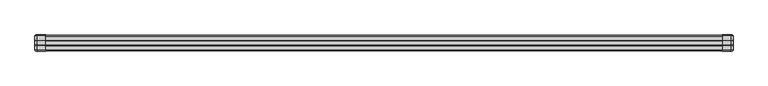
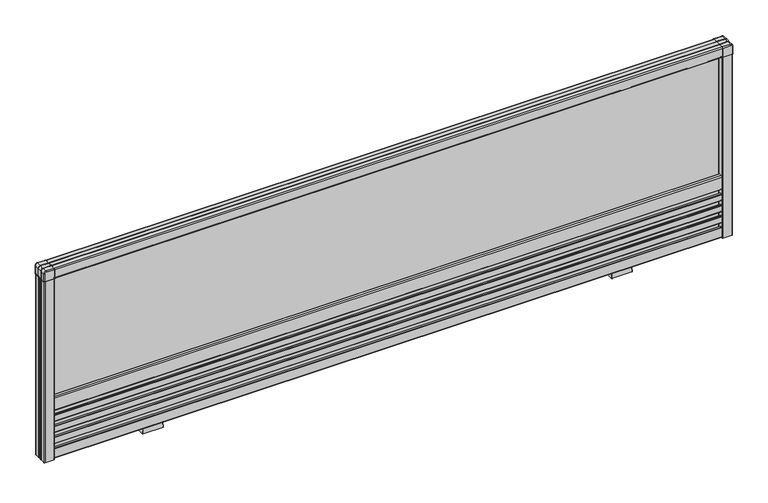
"""IFC4 building model written with IfcOpenShell, lengths in millimetres: furniture geometry."""

from ifc_helpers import new_model, si_unit, point, frame, frame_2d, origin, place, context, project, spatial, polyline, circle_curve, ellipse_curve, trimmed, segment, composite_curve, outline, extrude, source, transform, mapped, element, save
from ifc_brep_helpers import plane_surface, cylinder_surface, revolved_surface, extruded_surface, advanced_brep


def furniture_dad9432e(model_context):
    return source(origin(), model_context, "Body", "SolidModel", [
        extrude(outline(composite_curve([segment(polyline([(-3.25, 377.0), (-12.65, 377.0)]), True, "CONTINUOUS"), segment(trimmed(circle_curve(frame_2d((-12.65, 377.5)), 0.5), [point((-12.65, 377.0))], [point((-13.15, 377.5))], False, "CARTESIAN"), True, "CONTINUOUS"), segment(polyline([(-13.15, 377.5), (-13.15, 383.995804), (13.15, 383.995804), (13.15, 377.5)]), True, "CONTINUOUS"), segment(trimmed(circle_curve(frame_2d((12.65, 377.5)), 0.5), [point((13.15, 377.5))], [point((12.65, 377.0))], False, "CARTESIAN"), True, "CONTINUOUS"), segment(polyline([(12.65, 377.0), (3.25, 377.0)]), True, "CONTINUOUS"), segment(trimmed(circle_curve(frame_2d((3.25, 377.5)), 0.5), [point((3.25, 377.0))], [point((2.75, 377.5))], False, "CARTESIAN"), True, "CONTINUOUS"), segment(polyline([(2.75, 377.5), (2.75, 382.495804), (-2.75, 382.495804), (-2.75, 377.5)]), True, "CONTINUOUS"), segment(trimmed(circle_curve(frame_2d((-3.25, 377.5)), 0.5), [point((-2.75, 377.5))], [point((-3.25, 377.0))], False, "CARTESIAN"), True, "CONTINUOUS")], self_intersect=False)), frame((-641.0, 0.0, 0.0), z_axis=(1.0, 0.0, 0.0), x_axis=(0.0, 1.0, 0.0)), (0.0, 0.0, 1.0), 1282.0),
        extrude(outline(composite_curve([segment(trimmed(circle_curve(frame_2d((-13.0, 395.0)), 2.0), [point((-15.0, 395.0))], [point((-13.0, 397.0))], False, "CARTESIAN"), True, "CONTINUOUS"), segment(polyline([(-13.0, 397.0), (-5.2141428, 397.0)]), True, "CONTINUOUS"), segment(trimmed(circle_curve(frame_2d((-4.5, 397.7)), 1.0), [point((-5.2141428, 397.0))], [point((-3.7858572, 397.0))], True, "CARTESIAN"), True, "CONTINUOUS"), segment(polyline([(-3.7858572, 397.0), (3.7858572, 397.0)]), True, "CONTINUOUS"), segment(trimmed(circle_curve(frame_2d((4.5, 397.7)), 1.0), [point((3.7858572, 397.0))], [point((5.2141428, 397.0))], True, "CARTESIAN"), True, "CONTINUOUS"), segment(polyline([(5.2141428, 397.0), (13.0, 397.0)]), True, "CONTINUOUS"), segment(trimmed(circle_curve(frame_2d((13.0, 395.0)), 2.0), [point((13.0, 397.0))], [point((15.0, 395.0))], False, "CARTESIAN"), True, "CONTINUOUS"), segment(polyline([(15.0, 395.0), (15.0, 377.5)]), True, "CONTINUOUS"), segment(trimmed(circle_curve(frame_2d((14.5, 377.5)), 0.5), [point((15.0, 377.5))], [point((14.5, 377.0))], False, "CARTESIAN"), True, "CONTINUOUS"), segment(polyline([(14.5, 377.0), (13.15, 377.0), (13.15, 383.995804), (-13.15, 383.995804), (-13.15, 377.0), (-14.5, 377.0)]), True, "CONTINUOUS"), segment(trimmed(circle_curve(frame_2d((-14.5, 377.5)), 0.5), [point((-14.5, 377.0))], [point((-15.0, 377.5))], False, "CARTESIAN"), True, "CONTINUOUS"), segment(polyline([(-15.0, 377.5), (-15.0, 395.0)]), True, "CONTINUOUS")], self_intersect=False)), frame((-641.0, 0.0, 0.0), z_axis=(1.0, 0.0, 0.0), x_axis=(0.0, 1.0, 0.0)), (0.0, 0.0, 1.0), 1282.0),
        extrude(outline(composite_curve([segment(trimmed(circle_curve(frame_2d((-12.0, 30.0)), 1.0), [point((-13.0, 30.0))], [point((-12.0, 31.0))], False, "CARTESIAN"), True, "CONTINUOUS"), segment(polyline([(-12.0, 31.0), (-9.2004126, 31.0), (-9.2004126, 25.0), (-1.7500068, 25.0), (-1.7500068, 46.0), (-9.2004126, 46.0), (-9.2004126, 40.0), (-12.0, 40.0)]), True, "CONTINUOUS"), segment(trimmed(circle_curve(frame_2d((-12.0, 41.0)), 1.0), [point((-12.0, 40.0))], [point((-13.0, 41.0))], False, "CARTESIAN"), True, "CONTINUOUS"), segment(polyline([(-13.0, 41.0), (-13.0, 52.5)]), True, "CONTINUOUS"), segment(trimmed(circle_curve(frame_2d((-12.0, 52.5)), 1.0), [point((-13.0, 52.5))], [point((-12.0, 53.5))], False, "CARTESIAN"), True, "CONTINUOUS"), segment(polyline([(-12.0, 53.5), (-9.2004126, 53.5), (-9.2004126, 47.5), (-1.7500068, 47.5), (-1.7500068, 68.5), (-9.2004126, 68.5), (-9.2004126, 62.5), (-12.0, 62.5)]), True, "CONTINUOUS"), segment(trimmed(circle_curve(frame_2d((-12.0, 63.5)), 1.0), [point((-12.0, 62.5))], [point((-13.0, 63.5))], False, "CARTESIAN"), True, "CONTINUOUS"), segment(polyline([(-13.0, 63.5), (-13.0, 75.0)]), True, "CONTINUOUS"), segment(trimmed(circle_curve(frame_2d((-12.0, 75.0)), 1.0), [point((-13.0, 75.0))], [point((-12.0, 76.0))], False, "CARTESIAN"), True, "CONTINUOUS"), segment(polyline([(-12.0, 76.0), (-9.2004126, 76.0), (-9.2004126, 70.0), (-1.7500068, 70.0), (-1.7500068, 91.0), (-9.2004126, 91.0), (-9.2004126, 85.0), (-12.0, 85.0)]), True, "CONTINUOUS"), segment(trimmed(circle_curve(frame_2d((-12.0, 86.0)), 1.0), [point((-12.0, 85.0))], [point((-13.0, 86.0))], False, "CARTESIAN"), True, "CONTINUOUS"), segment(polyline([(-13.0, 86.0), (-13.0, 97.5)]), True, "CONTINUOUS"), segment(trimmed(circle_curve(frame_2d((-12.0, 97.5)), 1.0), [point((-13.0, 97.5))], [point((-12.0, 98.5))], False, "CARTESIAN"), True, "CONTINUOUS"), segment(polyline([(-12.0, 98.5), (-9.2004126, 98.5), (-9.2004126, 92.5), (-1.7500068, 92.5), (-1.7500068, 113.5), (-9.2004126, 113.5), (-9.2004126, 107.5), (-12.0, 107.5)]), True, "CONTINUOUS"), segment(trimmed(circle_curve(frame_2d((-12.0, 108.5)), 1.0), [point((-12.0, 107.5))], [point((-13.0, 108.5))], False, "CARTESIAN"), True, "CONTINUOUS"), segment(polyline([(-13.0, 108.5), (-13.0, 133.0)]), True, "CONTINUOUS"), segment(trimmed(circle_curve(frame_2d((-11.0, 133.0)), 2.0), [point((-13.0, 133.0))], [point((-11.0, 135.0))], False, "CARTESIAN"), True, "CONTINUOUS"), segment(polyline([(-11.0, 135.0), (-6.0, 135.0)]), True, "CONTINUOUS"), segment(trimmed(circle_curve(frame_2d((-6.0, 134.5)), 0.5), [point((-6.0, 135.0))], [point((-5.5, 134.5))], False, "CARTESIAN"), True, "CONTINUOUS"), segment(polyline([(-5.5, 134.5), (-5.5, 115.0), (0.0, 115.0), (5.5, 115.0), (5.5, 134.5)]), True, "CONTINUOUS"), segment(trimmed(circle_curve(frame_2d((6.0, 134.5)), 0.5), [point((5.5, 134.5))], [point((6.0, 135.0))], False, "CARTESIAN"), True, "CONTINUOUS"), segment(polyline([(6.0, 135.0), (11.0, 135.0)]), True, "CONTINUOUS"), segment(trimmed(circle_curve(frame_2d((11.0, 133.0)), 2.0), [point((11.0, 135.0))], [point((13.0, 133.0))], False, "CARTESIAN"), True, "CONTINUOUS"), segment(polyline([(13.0, 133.0), (13.0, 108.5)]), True, "CONTINUOUS"), segment(trimmed(circle_curve(frame_2d((12.0, 108.5)), 1.0), [point((13.0, 108.5))], [point((12.0, 107.5))], False, "CARTESIAN"), True, "CONTINUOUS"), segment(polyline([(12.0, 107.5), (9.2004126, 107.5), (9.2004126, 113.5), (1.7500068, 113.5), (1.7500068, 92.5), (9.2004126, 92.5), (9.2004126, 98.5), (12.0, 98.5)]), True, "CONTINUOUS"), segment(trimmed(circle_curve(frame_2d((12.0, 97.5)), 1.0), [point((12.0, 98.5))], [point((13.0, 97.5))], False, "CARTESIAN"), True, "CONTINUOUS"), segment(polyline([(13.0, 97.5), (13.0, 86.0)]), True, "CONTINUOUS"), segment(trimmed(circle_curve(frame_2d((12.0, 86.0)), 1.0), [point((13.0, 86.0))], [point((12.0, 85.0))], False, "CARTESIAN"), True, "CONTINUOUS"), segment(polyline([(12.0, 85.0), (9.2004126, 85.0), (9.2004126, 91.0), (1.7500068, 91.0), (1.7500068, 70.0), (9.2004126, 70.0), (9.2004126, 76.0), (12.0, 76.0)]), True, "CONTINUOUS"), segment(trimmed(circle_curve(frame_2d((12.0, 75.0)), 1.0), [point((12.0, 76.0))], [point((13.0, 75.0))], False, "CARTESIAN"), True, "CONTINUOUS"), segment(polyline([(13.0, 75.0), (13.0, 63.5)]), True, "CONTINUOUS"), segment(trimmed(circle_curve(frame_2d((12.0, 63.5)), 1.0), [point((13.0, 63.5))], [point((12.0, 62.5))], False, "CARTESIAN"), True, "CONTINUOUS"), segment(polyline([(12.0, 62.5), (9.2004126, 62.5), (9.2004126, 68.5), (1.7500068, 68.5), (1.7500068, 47.5), (9.2004126, 47.5), (9.2004126, 53.5), (12.0, 53.5)]), True, "CONTINUOUS"), segment(trimmed(circle_curve(frame_2d((12.0, 52.5)), 1.0), [point((12.0, 53.5))], [point((13.0, 52.5))], False, "CARTESIAN"), True, "CONTINUOUS"), segment(polyline([(13.0, 52.5), (13.0, 41.0)]), True, "CONTINUOUS"), segment(trimmed(circle_curve(frame_2d((12.0, 41.0)), 1.0), [point((13.0, 41.0))], [point((12.0, 40.0))], False, "CARTESIAN"), True, "CONTINUOUS"), segment(polyline([(12.0, 40.0), (9.2004126, 40.0), (9.2004126, 46.0), (1.7500068, 46.0), (1.7500068, 25.0), (9.2004126, 25.0), (9.2004126, 31.0), (12.0, 31.0)]), True, "CONTINUOUS"), segment(trimmed(circle_curve(frame_2d((12.0, 30.0)), 1.0), [point((12.0, 31.0))], [point((13.0, 30.0))], False, "CARTESIAN"), True, "CONTINUOUS"), segment(polyline([(13.0, 30.0), (13.0, 12.0)]), True, "CONTINUOUS"), segment(trimmed(circle_curve(frame_2d((11.0, 12.0)), 2.0), [point((13.0, 12.0))], [point((11.0, 10.0))], False, "CARTESIAN"), True, "CONTINUOUS"), segment(polyline([(11.0, 10.0), (0.0, 10.0), (-11.0, 10.0)]), True, "CONTINUOUS"), segment(trimmed(circle_curve(frame_2d((-11.0, 12.0)), 2.0), [point((-11.0, 10.0))], [point((-13.0, 12.0))], False, "CARTESIAN"), True, "CONTINUOUS"), segment(polyline([(-13.0, 12.0), (-13.0, 30.0)]), True, "CONTINUOUS")], self_intersect=False)), frame((-641.0, 0.0, 0.0), z_axis=(1.0, 0.0, 0.0), x_axis=(0.0, 1.0, 0.0)), (0.0, 0.0, 1.0), 1282.0),
        extrude(outline(composite_curve([segment(polyline([(641.5, 13.15), (648.0, 13.15), (648.0, -13.15), (641.5, -13.15)]), True, "CONTINUOUS"), segment(trimmed(circle_curve(frame_2d((641.5, -12.65)), 0.5), [point((641.5, -13.15))], [point((641.0, -12.65))], False, "CARTESIAN"), True, "CONTINUOUS"), segment(polyline([(641.0, -12.65), (641.0, -3.25)]), True, "CONTINUOUS"), segment(trimmed(circle_curve(frame_2d((641.5, -3.25)), 0.5), [point((641.0, -3.25))], [point((641.5, -2.75))], False, "CARTESIAN"), True, "CONTINUOUS"), segment(polyline([(641.5, -2.75), (646.5, -2.75), (646.5, 2.75), (641.5, 2.75)]), True, "CONTINUOUS"), segment(trimmed(circle_curve(frame_2d((641.5, 3.25)), 0.5), [point((641.5, 2.75))], [point((641.0, 3.25))], False, "CARTESIAN"), True, "CONTINUOUS"), segment(polyline([(641.0, 3.25), (641.0, 12.65)]), True, "CONTINUOUS"), segment(trimmed(circle_curve(frame_2d((641.5, 12.65)), 0.5), [point((641.0, 12.65))], [point((641.5, 13.15))], False, "CARTESIAN"), True, "CONTINUOUS")], self_intersect=False)), frame((0.0, 0.0, 10.0), z_axis=(0.0, 0.0, 1.0), x_axis=(1.0, 0.0, 0.0)), (0.0, 0.0, 1.0), 367.0),
        extrude(outline(composite_curve([segment(polyline([(661.0, 3.7858572), (661.0, 0.0), (661.0, -3.7858572)]), True, "CONTINUOUS"), segment(trimmed(circle_curve(frame_2d((661.7, -4.5)), 1.0), [point((661.0, -3.7858572))], [point((661.0, -5.2141428))], True, "CARTESIAN"), True, "CONTINUOUS"), segment(polyline([(661.0, -5.2141428), (661.0, -13.0)]), True, "CONTINUOUS"), segment(trimmed(circle_curve(frame_2d((659.0, -13.0)), 2.0), [point((661.0, -13.0))], [point((659.0, -15.0))], False, "CARTESIAN"), True, "CONTINUOUS"), segment(polyline([(659.0, -15.0), (641.5, -15.0)]), True, "CONTINUOUS"), segment(trimmed(circle_curve(frame_2d((641.5, -14.5)), 0.5), [point((641.5, -15.0))], [point((641.0, -14.5))], False, "CARTESIAN"), True, "CONTINUOUS"), segment(polyline([(641.0, -14.5), (641.0, -13.15), (648.0, -13.15), (648.0, 0.0), (648.0, 13.15), (641.0, 13.15), (641.0, 14.5)]), True, "CONTINUOUS"), segment(trimmed(circle_curve(frame_2d((641.5, 14.5)), 0.5), [point((641.0, 14.5))], [point((641.5, 15.0))], False, "CARTESIAN"), True, "CONTINUOUS"), segment(polyline([(641.5, 15.0), (659.0, 15.0)]), True, "CONTINUOUS"), segment(trimmed(circle_curve(frame_2d((659.0, 13.0)), 2.0), [point((659.0, 15.0))], [point((661.0, 13.0))], False, "CARTESIAN"), True, "CONTINUOUS"), segment(polyline([(661.0, 13.0), (661.0, 5.2141428)]), True, "CONTINUOUS"), segment(trimmed(circle_curve(frame_2d((661.7, 4.5)), 1.0), [point((661.0, 5.2141428))], [point((661.0, 3.7858572))], True, "CARTESIAN"), True, "CONTINUOUS")], self_intersect=False)), frame((0.0, 0.0, 10.0), z_axis=(0.0, 0.0, 1.0), x_axis=(1.0, 0.0, 0.0)), (0.0, 0.0, 1.0), 367.0),
        extrude(outline(composite_curve([segment(polyline([(-641.5, -13.15), (-648.0, -13.15), (-648.0, 13.15), (-641.5, 13.15)]), True, "CONTINUOUS"), segment(trimmed(circle_curve(frame_2d((-641.5, 12.65)), 0.5), [point((-641.5, 13.15))], [point((-641.0, 12.65))], False, "CARTESIAN"), True, "CONTINUOUS"), segment(polyline([(-641.0, 12.65), (-641.0, 3.25)]), True, "CONTINUOUS"), segment(trimmed(circle_curve(frame_2d((-641.5, 3.25)), 0.5), [point((-641.0, 3.25))], [point((-641.5, 2.75))], False, "CARTESIAN"), True, "CONTINUOUS"), segment(polyline([(-641.5, 2.75), (-646.5, 2.75), (-646.5, -2.75), (-641.5, -2.75)]), True, "CONTINUOUS"), segment(trimmed(circle_curve(frame_2d((-641.5, -3.25)), 0.5), [point((-641.5, -2.75))], [point((-641.0, -3.25))], False, "CARTESIAN"), True, "CONTINUOUS"), segment(polyline([(-641.0, -3.25), (-641.0, -12.65)]), True, "CONTINUOUS"), segment(trimmed(circle_curve(frame_2d((-641.5, -12.65)), 0.5), [point((-641.0, -12.65))], [point((-641.5, -13.15))], False, "CARTESIAN"), True, "CONTINUOUS")], self_intersect=False)), frame((0.0, 0.0, 10.0), z_axis=(0.0, 0.0, 1.0), x_axis=(1.0, 0.0, 0.0)), (0.0, 0.0, 1.0), 367.0),
        extrude(outline(composite_curve([segment(polyline([(-661.0, -3.7858572), (-661.0, 0.0), (-661.0, 3.7858572)]), True, "CONTINUOUS"), segment(trimmed(circle_curve(frame_2d((-661.7, 4.5)), 1.0), [point((-661.0, 3.7858572))], [point((-661.0, 5.2141428))], True, "CARTESIAN"), True, "CONTINUOUS"), segment(polyline([(-661.0, 5.2141428), (-661.0, 13.0)]), True, "CONTINUOUS"), segment(trimmed(circle_curve(frame_2d((-659.0, 13.0)), 2.0), [point((-661.0, 13.0))], [point((-659.0, 15.0))], False, "CARTESIAN"), True, "CONTINUOUS"), segment(polyline([(-659.0, 15.0), (-641.5, 15.0)]), True, "CONTINUOUS"), segment(trimmed(circle_curve(frame_2d((-641.5, 14.5)), 0.5), [point((-641.5, 15.0))], [point((-641.0, 14.5))], False, "CARTESIAN"), True, "CONTINUOUS"), segment(polyline([(-641.0, 14.5), (-641.0, 13.15), (-648.0, 13.15), (-648.0, 0.0), (-648.0, -13.15), (-641.0, -13.15), (-641.0, -14.5)]), True, "CONTINUOUS"), segment(trimmed(circle_curve(frame_2d((-641.5, -14.5)), 0.5), [point((-641.0, -14.5))], [point((-641.5, -15.0))], False, "CARTESIAN"), True, "CONTINUOUS"), segment(polyline([(-641.5, -15.0), (-659.0, -15.0)]), True, "CONTINUOUS"), segment(trimmed(circle_curve(frame_2d((-659.0, -13.0)), 2.0), [point((-659.0, -15.0))], [point((-661.0, -13.0))], False, "CARTESIAN"), True, "CONTINUOUS"), segment(polyline([(-661.0, -13.0), (-661.0, -5.2141428)]), True, "CONTINUOUS"), segment(trimmed(circle_curve(frame_2d((-661.7, -4.5)), 1.0), [point((-661.0, -5.2141428))], [point((-661.0, -3.7858572))], True, "CARTESIAN"), True, "CONTINUOUS")], self_intersect=False)), frame((0.0, 0.0, 10.0), z_axis=(0.0, 0.0, 1.0), x_axis=(1.0, 0.0, 0.0)), (0.0, 0.0, 1.0), 367.0),
        advanced_brep(
        [(659.25, -15.25, 377.0), (659.25, -15.25, 393.0), (657.0, -15.25, 395.25), (641.0, -15.25, 395.25), (641.0, -15.25, 377.0), (641.0, 15.25, 395.25), (657.0, 15.25, 395.25), (659.25, 15.25, 393.0), (659.25, 15.25, 377.0), (641.0, 15.25, 377.0), (641.0, 3.75, 397.25), (641.0, -3.75, 397.25), (657.0, -3.75, 397.25), (657.0, 3.75, 397.25), (641.0, -5.25, 397.25), (641.0, -13.25, 397.25), (657.0, -13.25, 397.25), (657.0, -5.25, 397.25), (657.0, 5.25, 397.25), (657.0, 13.25, 397.25), (641.0, 13.25, 397.25), (641.0, 5.25, 397.25), (661.25, -3.75, 393.0), (661.25, 3.75, 393.0), (661.25, -13.25, 393.0), (661.25, -5.25, 393.0), (661.25, 5.25, 393.0), (661.25, 13.25, 393.0), (661.25, -3.75, 377.0), (661.25, 3.75, 377.0), (661.25, -13.25, 377.0), (661.25, -5.25, 377.0), (661.25, 5.25, 377.0), (661.25, 13.25, 377.0)],
        [
            (0, 1),
            (1, 2, circle_curve(frame((657.0, -15.25, 393.0), z_axis=(0.0, -1.0, 0.0), x_axis=(1.0, 0.0, 0.0)), 2.25)),
            (2, 3),
            (3, 4),
            (4, 0),
            (5, 6),
            (6, 7, circle_curve(frame((657.0, 15.25, 393.0), z_axis=(0.0, 1.0, 0.0), x_axis=(1.0, 0.0, 0.0)), 2.25)),
            (7, 8),
            (8, 9),
            (9, 5),
            (10, 11),
            (11, 12),
            (12, 13),
            (13, 10),
            (14, 15),
            (15, 16),
            (16, 17),
            (17, 14),
            (18, 19),
            (19, 20),
            (20, 21),
            (21, 18),
            (12, 22, circle_curve(frame((657.0, -3.75, 393.0), z_axis=(0.0, 1.0, 0.0), x_axis=(-1.0, 0.0, 0.0)), 4.25)),
            (22, 23),
            (23, 13, circle_curve(frame((657.0, 3.75, 393.0), z_axis=(0.0, -1.0, 0.0), x_axis=(-1.0, 0.0, 0.0)), 4.25)),
            (16, 24, circle_curve(frame((657.0, -13.25, 393.0), z_axis=(0.0, 1.0, 0.0), x_axis=(-1.0, 0.0, 0.0)), 4.25)),
            (24, 25),
            (25, 17, circle_curve(frame((657.0, -5.25, 393.0), z_axis=(0.0, -1.0, 0.0), x_axis=(-1.0, 0.0, 0.0)), 4.25)),
            (26, 27),
            (27, 19, circle_curve(frame((657.0, 13.25, 393.0), z_axis=(0.0, -1.0, 0.0), x_axis=(-1.0, 0.0, 0.0)), 4.25)),
            (18, 26, circle_curve(frame((657.0, 5.25, 393.0), z_axis=(0.0, 1.0, 0.0), x_axis=(-1.0, 0.0, 0.0)), 4.25)),
            (22, 28),
            (28, 29),
            (29, 23),
            (24, 30),
            (30, 31),
            (31, 25),
            (32, 33),
            (33, 27),
            (26, 32),
            (8, 33, circle_curve(frame((659.25, 13.25, 377.0), z_axis=(0.0, 0.0, -1.0), x_axis=(0.0, -1.0, 0.0)), 2.0)),
            (32, 29, circle_curve(frame((661.9114378, 4.5, 377.0), z_axis=(0.0, 0.0, 1.0), x_axis=(0.0, 1.0, 0.0)), 1.0)),
            (28, 31, circle_curve(frame((661.9114378, -4.5, 377.0), z_axis=(0.0, 0.0, 1.0), x_axis=(0.0, 1.0, 0.0)), 1.0)),
            (30, 0, circle_curve(frame((659.25, -13.25, 377.0), z_axis=(0.0, 0.0, -1.0), x_axis=(0.0, 1.0, 0.0)), 2.0)),
            (4, 9),
            (3, 15, circle_curve(frame((641.0, -13.25, 395.25), z_axis=(-1.0, 0.0, 0.0), x_axis=(0.0, 1.0, 0.0)), 2.0)),
            (14, 11, circle_curve(frame((641.0, -4.5, 397.9114378), z_axis=(1.0, 0.0, 0.0), x_axis=(0.0, 1.0, 0.0)), 1.0)),
            (10, 21, circle_curve(frame((641.0, 4.5, 397.9114378), z_axis=(1.0, 0.0, 0.0), x_axis=(0.0, 1.0, 0.0)), 1.0)),
            (20, 5, circle_curve(frame((641.0, 13.25, 395.25), z_axis=(-1.0, 0.0, 0.0), x_axis=(0.0, -1.0, 0.0)), 2.0)),
            (26, 23, circle_curve(frame((661.9114378, 4.5, 393.0), z_axis=(0.0, 0.0, 1.0), x_axis=(0.0, 1.0, 0.0)), 1.0)),
            (18, 13, circle_curve(frame((657.0, 4.5, 397.9114378), z_axis=(-1.0, 0.0, 0.0), x_axis=(0.0, 1.0, 0.0)), 1.0)),
            (22, 25, circle_curve(frame((661.9114378, -4.5, 393.0), z_axis=(0.0, 0.0, 1.0), x_axis=(0.0, 1.0, 0.0)), 1.0)),
            (12, 17, circle_curve(frame((657.0, -4.5, 397.9114378), z_axis=(-1.0, 0.0, 0.0), x_axis=(0.0, 1.0, 0.0)), 1.0)),
            (24, 1, circle_curve(frame((659.25, -13.25, 393.0), z_axis=(0.0, 0.0, -1.0), x_axis=(0.0, 1.0, 0.0)), 2.0)),
            (16, 2, circle_curve(frame((657.0, -13.25, 395.25), z_axis=(1.0, 0.0, 0.0), x_axis=(0.0, 1.0, 0.0)), 2.0)),
            (7, 27, circle_curve(frame((659.25, 13.25, 393.0), z_axis=(0.0, 0.0, -1.0), x_axis=(0.0, -1.0, 0.0)), 2.0)),
            (6, 19, circle_curve(frame((657.0, 13.25, 395.25), z_axis=(1.0, 0.0, 0.0), x_axis=(0.0, -1.0, 0.0)), 2.0)),
        ],
        [
            plane_surface(frame((661.25, -15.25, 397.25), z_axis=(0.0, -1.0, 0.0), x_axis=(1.0, 0.0, 0.0))),
            plane_surface(frame((661.25, 15.25, 397.25), z_axis=(0.0, 1.0, 0.0), x_axis=(-1.0, 0.0, 0.0))),
            plane_surface(frame((641.0, -15.25, 397.25), z_axis=(0.0, 0.0, 1.0), x_axis=(0.0, 1.0, 0.0))),
            cylinder_surface(frame((657.0, 15.25, 393.0), z_axis=(0.0, -1.0, 0.0), x_axis=(-1.0, 0.0, 0.0)), 4.25),
            plane_surface(frame((661.25, -15.25, 393.0), z_axis=(1.0, 0.0, 0.0), x_axis=(0.0, 1.0, 0.0))),
            plane_surface(frame((661.25, -15.25, 377.0), z_axis=(0.0, 0.0, -1.0), x_axis=(0.0, 1.0, 0.0))),
            plane_surface(frame((641.0, -15.25, 377.0), z_axis=(-1.0, 0.0, 0.0), x_axis=(0.0, 1.0, 0.0))),
            revolved_surface(polyline([(661.9114378, 5.5, 377.0), (661.9114378, 5.5, 393.0)]), (661.9114378, 4.5, 377.0), (0.0, 0.0, -1.0)),
            revolved_surface(trimmed(ellipse_curve(frame((661.9114378, 4.5, 393.0), z_axis=(0.0, 0.0, -1.0), x_axis=(0.0, 1.0, 0.0)), 1.0, 1.0), [point((661.9505813, 3.5007664, 393.0))], [point((661.9505813, 5.4992336, 393.0))], True, "CARTESIAN"), (657.0, 4.5, 393.0), (0.0, 1.0, 0.0)),
            revolved_surface(polyline([(657.0, 5.5, 397.9114378), (641.0, 5.5, 397.9114378)]), (657.0, 4.5, 397.9114378), (1.0, 0.0, 0.0)),
            revolved_surface(polyline([(661.9114378, -3.5, 377.0), (661.9114378, -3.5, 393.0)]), (661.9114378, -4.5, 377.0), (0.0, 0.0, -1.0)),
            revolved_surface(trimmed(ellipse_curve(frame((661.9114378, -4.5, 393.0), z_axis=(0.0, 0.0, -1.0), x_axis=(0.0, 1.0, 0.0)), 1.0, 1.0), [point((661.9251148, -5.4999065, 393.0))], [point((661.9251148, -3.5000935, 393.0))], True, "CARTESIAN"), (657.0, -4.5, 393.0), (0.0, 1.0, 0.0)),
            revolved_surface(polyline([(657.0, -3.5, 397.9114378), (641.0, -3.5, 397.9114378)]), (657.0, -4.5, 397.9114378), (1.0, 0.0, 0.0)),
            cylinder_surface(frame((659.25, -13.25, 377.0), z_axis=(0.0, 0.0, 1.0), x_axis=(0.0, 1.0, 0.0)), 2.0),
            revolved_surface(trimmed(ellipse_curve(frame((659.25, -13.25, 393.0), z_axis=(0.0, 0.0, 1.0), x_axis=(0.0, 1.0, 0.0)), 2.0, 2.0), [point((659.25, -15.25, 393.0))], [point((661.25, -13.25, 393.0))], True, "CARTESIAN"), (657.0, -15.25, 393.0), (0.0, 1.0, 0.0)),
            cylinder_surface(frame((657.0, -13.25, 395.25), z_axis=(-1.0, 0.0, 0.0), x_axis=(0.0, 1.0, 0.0)), 2.0),
            cylinder_surface(frame((659.25, 13.25, 377.0), z_axis=(0.0, 0.0, 1.0), x_axis=(0.0, -1.0, 0.0)), 2.0),
            revolved_surface(trimmed(ellipse_curve(frame((659.25, 13.25, 393.0), z_axis=(0.0, 0.0, 1.0), x_axis=(0.0, -1.0, 0.0)), 2.0, 2.0), [point((661.25, 13.25, 393.0))], [point((659.25, 15.25, 393.0))], True, "CARTESIAN"), (657.0, 15.25, 393.0), (0.0, 1.0, 0.0)),
            cylinder_surface(frame((657.0, 13.25, 395.25), z_axis=(-1.0, 0.0, 0.0), x_axis=(0.0, -1.0, 0.0)), 2.0),
        ],
        [
            (0, [[1, 2, 3, 4, 5]]),
            (1, [[6, 7, 8, 9, 10]]),
            (2, [[11, 12, 13, 14]]),
            (2, [[15, 16, 17, 18]]),
            (2, [[19, 20, 21, 22]]),
            (3, [[-13, 23, 24, 25]]),
            (3, [[-17, 26, 27, 28]]),
            (3, [[29, 30, -19, 31]]),
            (4, [[-24, 32, 33, 34]]),
            (4, [[-27, 35, 36, 37]]),
            (4, [[38, 39, -29, 40]]),
            (5, [[-9, 41, -38, 42, -33, 43, -36, 44, -5, 45]]),
            (6, [[-4, 46, -15, 47, -11, 48, -21, 49, -10, -45]]),
            (7, [[-34, -42, -40, 50]]),
            (8, [[-25, -50, -31, 51]]),
            (9, [[-22, -48, -14, -51]]),
            (10, [[-37, -43, -32, 52]]),
            (11, [[-28, -52, -23, 53]]),
            (12, [[-12, -47, -18, -53]]),
            (13, [[-1, -44, -35, 54]]),
            (14, [[-26, 55, -2, -54]]),
            (15, [[-16, -46, -3, -55]]),
            (16, [[-39, -41, -8, 56]]),
            (17, [[-7, 57, -30, -56]]),
            (18, [[-6, -49, -20, -57]]),
        ],
    ),
        advanced_brep(
        [(-659.25, -15.25, 377.0), (-641.0, -15.25, 377.0), (-641.0, -15.25, 395.25), (-657.0, -15.25, 395.25), (-659.25, -15.25, 393.0), (-641.0, 15.25, 395.25), (-641.0, 15.25, 377.0), (-659.25, 15.25, 377.0), (-659.25, 15.25, 393.0), (-657.0, 15.25, 395.25), (-657.0, 5.25, 397.25), (-641.0, 5.25, 397.25), (-641.0, 13.25, 397.25), (-657.0, 13.25, 397.25), (-641.0, 3.75, 397.25), (-657.0, 3.75, 397.25), (-657.0, -3.75, 397.25), (-641.0, -3.75, 397.25), (-641.0, -5.25, 397.25), (-657.0, -5.25, 397.25), (-657.0, -13.25, 397.25), (-641.0, -13.25, 397.25), (-661.25, 3.75, 393.0), (-661.25, -3.75, 393.0), (-661.25, 5.25, 393.0), (-661.25, 13.25, 393.0), (-661.25, -5.25, 393.0), (-661.25, -13.25, 393.0), (-661.25, 3.75, 377.0), (-661.25, -3.75, 377.0), (-661.25, 5.25, 377.0), (-661.25, 13.25, 377.0), (-661.25, -5.25, 377.0), (-661.25, -13.25, 377.0)],
        [
            (0, 1),
            (1, 2),
            (2, 3),
            (3, 4, circle_curve(frame((-657.0, -15.25, 393.0), z_axis=(0.0, -1.0, 0.0), x_axis=(-1.0, 0.0, 0.0)), 2.25)),
            (4, 0),
            (5, 6),
            (6, 7),
            (7, 8),
            (8, 9, circle_curve(frame((-657.0, 15.25, 393.0), z_axis=(0.0, 1.0, 0.0), x_axis=(-1.0, 0.0, 0.0)), 2.25)),
            (9, 5),
            (10, 11),
            (11, 12),
            (12, 13),
            (13, 10),
            (14, 15),
            (15, 16),
            (16, 17),
            (17, 14),
            (18, 19),
            (19, 20),
            (20, 21),
            (21, 18),
            (15, 22, circle_curve(frame((-657.0, 3.75, 393.0), z_axis=(0.0, -1.0, 0.0), x_axis=(1.0, 0.0, 0.0)), 4.25)),
            (22, 23),
            (23, 16, circle_curve(frame((-657.0, -3.75, 393.0), z_axis=(0.0, 1.0, 0.0), x_axis=(1.0, 0.0, 0.0)), 4.25)),
            (24, 10, circle_curve(frame((-657.0, 5.25, 393.0), z_axis=(0.0, 1.0, 0.0), x_axis=(1.0, 0.0, 0.0)), 4.25)),
            (13, 25, circle_curve(frame((-657.0, 13.25, 393.0), z_axis=(0.0, -1.0, 0.0), x_axis=(1.0, 0.0, 0.0)), 4.25)),
            (25, 24),
            (19, 26, circle_curve(frame((-657.0, -5.25, 393.0), z_axis=(0.0, -1.0, 0.0), x_axis=(1.0, 0.0, 0.0)), 4.25)),
            (26, 27),
            (27, 20, circle_curve(frame((-657.0, -13.25, 393.0), z_axis=(0.0, 1.0, 0.0), x_axis=(1.0, 0.0, 0.0)), 4.25)),
            (22, 28),
            (28, 29),
            (29, 23),
            (30, 24),
            (25, 31),
            (31, 30),
            (26, 32),
            (32, 33),
            (33, 27),
            (6, 1),
            (0, 33, circle_curve(frame((-659.25, -13.25, 377.0), z_axis=(0.0, 0.0, -1.0), x_axis=(0.0, 1.0, 0.0)), 2.0)),
            (32, 29, circle_curve(frame((-661.9114378, -4.5, 377.0), z_axis=(0.0, 0.0, 1.0), x_axis=(0.0, 1.0, 0.0)), 1.0)),
            (28, 30, circle_curve(frame((-661.9114378, 4.5, 377.0), z_axis=(0.0, 0.0, 1.0), x_axis=(0.0, 1.0, 0.0)), 1.0)),
            (31, 7, circle_curve(frame((-659.25, 13.25, 377.0), z_axis=(0.0, 0.0, -1.0), x_axis=(0.0, -1.0, 0.0)), 2.0)),
            (5, 12, circle_curve(frame((-641.0, 13.25, 395.25), z_axis=(1.0, 0.0, 0.0), x_axis=(0.0, -1.0, 0.0)), 2.0)),
            (11, 14, circle_curve(frame((-641.0, 4.5, 397.9114378), z_axis=(-1.0, 0.0, 0.0), x_axis=(0.0, 1.0, 0.0)), 1.0)),
            (17, 18, circle_curve(frame((-641.0, -4.5, 397.9114378), z_axis=(-1.0, 0.0, 0.0), x_axis=(0.0, 1.0, 0.0)), 1.0)),
            (21, 2, circle_curve(frame((-641.0, -13.25, 395.25), z_axis=(1.0, 0.0, 0.0), x_axis=(0.0, 1.0, 0.0)), 2.0)),
            (22, 24, circle_curve(frame((-661.9114378, 4.5, 393.0), z_axis=(0.0, 0.0, 1.0), x_axis=(0.0, 1.0, 0.0)), 1.0)),
            (15, 10, circle_curve(frame((-657.0, 4.5, 397.9114378), z_axis=(1.0, 0.0, 0.0), x_axis=(0.0, 1.0, 0.0)), 1.0)),
            (26, 23, circle_curve(frame((-661.9114378, -4.5, 393.0), z_axis=(0.0, 0.0, 1.0), x_axis=(0.0, 1.0, 0.0)), 1.0)),
            (19, 16, circle_curve(frame((-657.0, -4.5, 397.9114378), z_axis=(1.0, 0.0, 0.0), x_axis=(0.0, 1.0, 0.0)), 1.0)),
            (4, 27, circle_curve(frame((-659.25, -13.25, 393.0), z_axis=(0.0, 0.0, -1.0), x_axis=(0.0, 1.0, 0.0)), 2.0)),
            (3, 20, circle_curve(frame((-657.0, -13.25, 395.25), z_axis=(-1.0, 0.0, 0.0), x_axis=(0.0, 1.0, 0.0)), 2.0)),
            (25, 8, circle_curve(frame((-659.25, 13.25, 393.0), z_axis=(0.0, 0.0, -1.0), x_axis=(0.0, -1.0, 0.0)), 2.0)),
            (13, 9, circle_curve(frame((-657.0, 13.25, 395.25), z_axis=(-1.0, 0.0, 0.0), x_axis=(0.0, -1.0, 0.0)), 2.0)),
        ],
        [
            plane_surface(frame((-661.25, -15.25, 397.25), z_axis=(0.0, -1.0, 0.0), x_axis=(-1.0, 0.0, 0.0))),
            plane_surface(frame((-661.25, 15.25, 397.25), z_axis=(0.0, 1.0, 0.0), x_axis=(1.0, 0.0, 0.0))),
            plane_surface(frame((-641.0, -15.25, 397.25), z_axis=(0.0, 0.0, 1.0), x_axis=(0.0, 1.0, 0.0))),
            cylinder_surface(frame((-657.0, 15.25, 393.0), z_axis=(0.0, -1.0, 0.0), x_axis=(1.0, 0.0, 0.0)), 4.25),
            plane_surface(frame((-661.25, -15.25, 393.0), z_axis=(-1.0, 0.0, 0.0), x_axis=(0.0, 1.0, 0.0))),
            plane_surface(frame((-661.25, -15.25, 377.0), z_axis=(0.0, 0.0, -1.0), x_axis=(0.0, 1.0, 0.0))),
            plane_surface(frame((-641.0, -15.25, 377.0), z_axis=(1.0, 0.0, 0.0), x_axis=(0.0, 1.0, 0.0))),
            revolved_surface(polyline([(-661.9114378, 5.5, 377.0), (-661.9114378, 5.5, 393.0)]), (-661.9114378, 4.5, 377.0), (0.0, 0.0, -1.0)),
            revolved_surface(trimmed(ellipse_curve(frame((-661.9114378, 4.5, 393.0), z_axis=(0.0, 0.0, 1.0), x_axis=(0.0, 1.0, 0.0)), 1.0, 1.0), [point((-661.9505813, 3.5007664, 393.0))], [point((-661.9505813, 5.4992336, 393.0))], True, "CARTESIAN"), (-657.0, 4.5, 393.0), (0.0, 1.0, 0.0)),
            revolved_surface(polyline([(-657.0, 5.5, 397.9114378), (-641.0, 5.5, 397.9114378)]), (-657.0, 4.5, 397.9114378), (-1.0, 0.0, 0.0)),
            revolved_surface(polyline([(-661.9114378, -3.5, 377.0), (-661.9114378, -3.5, 393.0)]), (-661.9114378, -4.5, 377.0), (0.0, 0.0, -1.0)),
            revolved_surface(trimmed(ellipse_curve(frame((-661.9114378, -4.5, 393.0), z_axis=(0.0, 0.0, 1.0), x_axis=(0.0, 1.0, 0.0)), 1.0, 1.0), [point((-661.9251148, -5.4999065, 393.0))], [point((-661.9251148, -3.5000935, 393.0))], True, "CARTESIAN"), (-657.0, -4.5, 393.0), (0.0, 1.0, 0.0)),
            revolved_surface(polyline([(-657.0, -3.5, 397.9114378), (-641.0, -3.5, 397.9114378)]), (-657.0, -4.5, 397.9114378), (-1.0, 0.0, 0.0)),
            cylinder_surface(frame((-659.25, -13.25, 377.0), z_axis=(0.0, 0.0, 1.0), x_axis=(0.0, 1.0, 0.0)), 2.0),
            revolved_surface(trimmed(ellipse_curve(frame((-659.25, -13.25, 393.0), z_axis=(0.0, 0.0, -1.0), x_axis=(0.0, 1.0, 0.0)), 2.0, 2.0), [point((-659.25, -15.25, 393.0))], [point((-661.25, -13.25, 393.0))], True, "CARTESIAN"), (-657.0, -15.25, 393.0), (0.0, 1.0, 0.0)),
            cylinder_surface(frame((-657.0, -13.25, 395.25), z_axis=(1.0, 0.0, 0.0), x_axis=(0.0, 1.0, 0.0)), 2.0),
            cylinder_surface(frame((-659.25, 13.25, 377.0), z_axis=(0.0, 0.0, 1.0), x_axis=(0.0, -1.0, 0.0)), 2.0),
            revolved_surface(trimmed(ellipse_curve(frame((-659.25, 13.25, 393.0), z_axis=(0.0, 0.0, -1.0), x_axis=(0.0, -1.0, 0.0)), 2.0, 2.0), [point((-661.25, 13.25, 393.0))], [point((-659.25, 15.25, 393.0))], True, "CARTESIAN"), (-657.0, 15.25, 393.0), (0.0, 1.0, 0.0)),
            cylinder_surface(frame((-657.0, 13.25, 395.25), z_axis=(1.0, 0.0, 0.0), x_axis=(0.0, -1.0, 0.0)), 2.0),
        ],
        [
            (0, [[1, 2, 3, 4, 5]]),
            (1, [[6, 7, 8, 9, 10]]),
            (2, [[11, 12, 13, 14]]),
            (2, [[15, 16, 17, 18]]),
            (2, [[19, 20, 21, 22]]),
            (3, [[23, 24, 25, -16]]),
            (3, [[26, -14, 27, 28]]),
            (3, [[29, 30, 31, -20]]),
            (4, [[32, 33, 34, -24]]),
            (4, [[35, -28, 36, 37]]),
            (4, [[38, 39, 40, -30]]),
            (5, [[41, -1, 42, -39, 43, -33, 44, -37, 45, -7]]),
            (6, [[-41, -6, 46, -12, 47, -18, 48, -22, 49, -2]]),
            (7, [[50, -35, -44, -32]]),
            (8, [[51, -26, -50, -23]]),
            (9, [[-51, -15, -47, -11]]),
            (10, [[52, -34, -43, -38]]),
            (11, [[53, -25, -52, -29]]),
            (12, [[-53, -19, -48, -17]]),
            (13, [[54, -40, -42, -5]]),
            (14, [[-54, -4, 55, -31]]),
            (15, [[-55, -3, -49, -21]]),
            (16, [[56, -8, -45, -36]]),
            (17, [[-56, -27, 57, -9]]),
            (18, [[-57, -13, -46, -10]]),
        ],
    ),
        advanced_brep(
        [(430.0, 10.849223, 0.0), (431.0, 11.849223, 0.0), (469.0, 11.849223, 0.0), (470.0, 10.849223, 0.0), (470.0, -10.849223, 0.0), (469.0, -11.849223, 0.0), (431.0, -11.849223, 0.0), (430.0, -10.849223, 0.0), (430.5, 10.5000153, 10.0), (430.5, -10.5000153, 10.0), (431.5, -11.5000153, 10.0), (468.5, -11.5000153, 10.0), (469.5, -10.5000153, 10.0), (469.5, 10.5000153, 10.0), (468.5, 11.5000153, 10.0), (431.5, 11.5000153, 10.0)],
        [
            (0, 1, circle_curve(frame((431.0, 10.849223, 0.0), z_axis=(0.0, 0.0, -1.0), x_axis=(0.0, 1.0, 0.0)), 1.0)),
            (1, 2),
            (2, 3, circle_curve(frame((469.0, 10.849223, 0.0), z_axis=(0.0, 0.0, -1.0), x_axis=(0.0, 1.0, 0.0)), 1.0)),
            (3, 4),
            (4, 5, circle_curve(frame((469.0, -10.849223, 0.0), z_axis=(0.0, 0.0, -1.0), x_axis=(0.0, 1.0, 0.0)), 1.0)),
            (5, 6),
            (6, 7, circle_curve(frame((431.0, -10.849223, 0.0), z_axis=(0.0, 0.0, -1.0), x_axis=(0.0, 1.0, 0.0)), 1.0)),
            (7, 0),
            (8, 9),
            (9, 10, circle_curve(frame((431.5, -10.5000153, 10.0), z_axis=(0.0, 0.0, 1.0), x_axis=(0.0, 1.0, 0.0)), 1.0)),
            (10, 11),
            (11, 12, circle_curve(frame((468.5, -10.5000153, 10.0), z_axis=(0.0, 0.0, 1.0), x_axis=(0.0, 1.0, 0.0)), 1.0)),
            (12, 13),
            (13, 14, circle_curve(frame((468.5, 10.5000153, 10.0), z_axis=(0.0, 0.0, 1.0), x_axis=(0.0, 1.0, 0.0)), 1.0)),
            (14, 15),
            (15, 8, circle_curve(frame((431.5, 10.5000153, 10.0), z_axis=(0.0, 0.0, 1.0), x_axis=(0.0, 1.0, 0.0)), 1.0)),
            (8, 0),
            (7, 9),
            (10, 6),
            (5, 11),
            (12, 4),
            (3, 13),
            (14, 2),
            (1, 15),
        ],
        [
            plane_surface(frame((450.0, 0.0, 0.0), z_axis=(0.0, 0.0, -1.0), x_axis=(0.0, -1.0, 0.0))),
            plane_surface(frame((450.0, 0.0, 10.0), z_axis=(0.0, 0.0, 1.0), x_axis=(0.0, -1.0, 0.0))),
            plane_surface(frame((430.5, 0.0, 10.0), z_axis=(-0.9987523388778482, 0.0, 0.04993761694382326), x_axis=(0.0, 1.0, 0.0))),
            plane_surface(frame((450.0, -11.5000153, 10.0), z_axis=(0.0, -0.9993908270190972, 0.034899496702462215), x_axis=(-1.0, 0.0, 0.0))),
            plane_surface(frame((469.5, 0.0, 10.0), z_axis=(0.9987523388778481, 0.0, 0.0499376169438241), x_axis=(0.0, -1.0, 0.0))),
            plane_surface(frame((450.0, 11.5000153, 10.0), z_axis=(0.0, 0.9993908270190972, 0.03489949670246137), x_axis=(1.0, 0.0, 0.0))),
            extruded_surface(trimmed(circle_curve(frame((431.5, 10.5000153, 10.0), z_axis=(0.0, 0.0, -1.0), x_axis=(0.0, 1.0, 0.0)), 1.0), [point((430.5, 10.5000153, 10.0))], [point((431.5, 11.5000153, 10.0))], True, "CARTESIAN"), (-0.5, 0.3492077000000009, -10.0), 10.018580039992658),
            extruded_surface(trimmed(circle_curve(frame((468.5, 10.5000153, 10.0), z_axis=(0.0, 0.0, -1.0), x_axis=(0.0, 1.0, 0.0)), 1.0), [point((468.5, 11.5000153, 10.0))], [point((469.5, 10.5000153, 10.0))], True, "CARTESIAN"), (0.5, 0.3492077000000009, -10.0), 10.018580039992658),
            extruded_surface(trimmed(circle_curve(frame((468.5, -10.5000153, 10.0), z_axis=(0.0, 0.0, -1.0), x_axis=(0.0, 1.0, 0.0)), 1.0), [point((469.5, -10.5000153, 10.0))], [point((468.5, -11.5000153, 10.0))], True, "CARTESIAN"), (0.5, -0.3492077000000009, -10.0), 10.018580039992658),
            extruded_surface(trimmed(circle_curve(frame((431.5, -10.5000153, 10.0), z_axis=(0.0, 0.0, -1.0), x_axis=(0.0, 1.0, 0.0)), 1.0), [point((431.5, -11.5000153, 10.0))], [point((430.5, -10.5000153, 10.0))], True, "CARTESIAN"), (-0.5, -0.3492077000000009, -10.0), 10.018580039992658),
        ],
        [
            (0, [[1, 2, 3, 4, 5, 6, 7, 8]]),
            (1, [[9, 10, 11, 12, 13, 14, 15, 16]]),
            (2, [[-9, 17, -8, 18]]),
            (3, [[-11, 19, -6, 20]]),
            (4, [[-13, 21, -4, 22]]),
            (5, [[-15, 23, -2, 24]]),
            (6, [[-16, -24, -1, -17]]),
            (7, [[-14, -22, -3, -23]]),
            (8, [[-12, -20, -5, -21]]),
            (9, [[-10, -18, -7, -19]]),
        ],
    ),
        advanced_brep(
        [(-470.0, 10.849223, 0.0), (-469.0, 11.849223, 0.0), (-431.0, 11.849223, 0.0), (-430.0, 10.849223, 0.0), (-430.0, -10.849223, 0.0), (-431.0, -11.849223, 0.0), (-469.0, -11.849223, 0.0), (-470.0, -10.849223, 0.0), (-469.5, 10.5000153, 10.0), (-469.5, -10.5000153, 10.0), (-468.5, -11.5000153, 10.0), (-431.5, -11.5000153, 10.0), (-430.5, -10.5000153, 10.0), (-430.5, 10.5000153, 10.0), (-431.5, 11.5000153, 10.0), (-468.5, 11.5000153, 10.0)],
        [
            (0, 1, circle_curve(frame((-469.0, 10.849223, 0.0), z_axis=(0.0, 0.0, -1.0), x_axis=(0.0, 1.0, 0.0)), 1.0)),
            (1, 2),
            (2, 3, circle_curve(frame((-431.0, 10.849223, 0.0), z_axis=(0.0, 0.0, -1.0), x_axis=(0.0, 1.0, 0.0)), 1.0)),
            (3, 4),
            (4, 5, circle_curve(frame((-431.0, -10.849223, 0.0), z_axis=(0.0, 0.0, -1.0), x_axis=(0.0, 1.0, 0.0)), 1.0)),
            (5, 6),
            (6, 7, circle_curve(frame((-469.0, -10.849223, 0.0), z_axis=(0.0, 0.0, -1.0), x_axis=(0.0, 1.0, 0.0)), 1.0)),
            (7, 0),
            (8, 9),
            (9, 10, circle_curve(frame((-468.5, -10.5000153, 10.0), z_axis=(0.0, 0.0, 1.0), x_axis=(0.0, 1.0, 0.0)), 1.0)),
            (10, 11),
            (11, 12, circle_curve(frame((-431.5, -10.5000153, 10.0), z_axis=(0.0, 0.0, 1.0), x_axis=(0.0, 1.0, 0.0)), 1.0)),
            (12, 13),
            (13, 14, circle_curve(frame((-431.5, 10.5000153, 10.0), z_axis=(0.0, 0.0, 1.0), x_axis=(0.0, 1.0, 0.0)), 1.0)),
            (14, 15),
            (15, 8, circle_curve(frame((-468.5, 10.5000153, 10.0), z_axis=(0.0, 0.0, 1.0), x_axis=(0.0, 1.0, 0.0)), 1.0)),
            (8, 0),
            (7, 9),
            (10, 6),
            (5, 11),
            (12, 4),
            (3, 13),
            (14, 2),
            (1, 15),
        ],
        [
            plane_surface(frame((-450.0, 0.0, 0.0), z_axis=(0.0, 0.0, -1.0), x_axis=(0.0, -1.0, 0.0))),
            plane_surface(frame((-450.0, 0.0, 10.0), z_axis=(0.0, 0.0, 1.0), x_axis=(0.0, -1.0, 0.0))),
            plane_surface(frame((-469.5, 0.0, 10.0), z_axis=(-0.9987523388778482, 0.0, 0.04993761694382326), x_axis=(0.0, 1.0, 0.0))),
            plane_surface(frame((-450.0, -11.5000153, 10.0), z_axis=(0.0, -0.9993908270190972, 0.034899496702462215), x_axis=(-1.0, 0.0, 0.0))),
            plane_surface(frame((-430.5, 0.0, 10.0), z_axis=(0.9987523388778481, 0.0, 0.0499376169438241), x_axis=(0.0, -1.0, 0.0))),
            plane_surface(frame((-450.0, 11.5000153, 10.0), z_axis=(0.0, 0.9993908270190972, 0.03489949670246137), x_axis=(1.0, 0.0, 0.0))),
            extruded_surface(trimmed(circle_curve(frame((-468.5, 10.5000153, 10.0), z_axis=(0.0, 0.0, -1.0), x_axis=(0.0, 1.0, 0.0)), 1.0), [point((-469.5, 10.5000153, 10.0))], [point((-468.5, 11.5000153, 10.0))], True, "CARTESIAN"), (-0.5, 0.3492077000000009, -10.0), 10.018580039992658),
            extruded_surface(trimmed(circle_curve(frame((-431.5, 10.5000153, 10.0), z_axis=(0.0, 0.0, -1.0), x_axis=(0.0, 1.0, 0.0)), 1.0), [point((-431.5, 11.5000153, 10.0))], [point((-430.5, 10.5000153, 10.0))], True, "CARTESIAN"), (0.5, 0.3492077000000009, -10.0), 10.018580039992658),
            extruded_surface(trimmed(circle_curve(frame((-431.5, -10.5000153, 10.0), z_axis=(0.0, 0.0, -1.0), x_axis=(0.0, 1.0, 0.0)), 1.0), [point((-430.5, -10.5000153, 10.0))], [point((-431.5, -11.5000153, 10.0))], True, "CARTESIAN"), (0.5, -0.3492077000000009, -10.0), 10.018580039992658),
            extruded_surface(trimmed(circle_curve(frame((-468.5, -10.5000153, 10.0), z_axis=(0.0, 0.0, -1.0), x_axis=(0.0, 1.0, 0.0)), 1.0), [point((-468.5, -11.5000153, 10.0))], [point((-469.5, -10.5000153, 10.0))], True, "CARTESIAN"), (-0.5, -0.3492077000000009, -10.0), 10.018580039992658),
        ],
        [
            (0, [[1, 2, 3, 4, 5, 6, 7, 8]]),
            (1, [[9, 10, 11, 12, 13, 14, 15, 16]]),
            (2, [[-9, 17, -8, 18]]),
            (3, [[-11, 19, -6, 20]]),
            (4, [[-13, 21, -4, 22]]),
            (5, [[-15, 23, -2, 24]]),
            (6, [[-16, -24, -1, -17]]),
            (7, [[-14, -22, -3, -23]]),
            (8, [[-12, -20, -5, -21]]),
            (9, [[-10, -18, -7, -19]]),
        ],
    ),
        extrude(outline(polyline([(646.5, 2.5), (646.5, -2.5), (-646.5, -2.5), (-646.5, 2.5), (646.5, 2.5)])), frame((0.0, 0.0, 115.0), z_axis=(0.0, 0.0, 1.0), x_axis=(1.0, 0.0, 0.0)), (0.0, 0.0, 1.0), 267.495804),
    ])


if __name__ == "__main__":
    model = new_model("IFC4")
    model_context = context("Model", 3, world=origin())
    ifc_project = project(units=[si_unit("LENGTHUNIT", "METRE", prefix="MILLI")], contexts=[model_context])
    site = spatial("IfcSite", under=ifc_project)
    building = spatial("IfcBuilding", under=site)
    placement = place(None, origin())
    furniture_shape = furniture_dad9432e(model_context)
    element("IfcFurniture", 1, at=placement, inside=building, context=model_context, shape_type="MappedRepresentation", body=[
        mapped(furniture_shape, transform((0.0, 0.0, 0.0), x_axis=(1.0, 0.0, 0.0), y_axis=(0.0, 1.0, 0.0), z_axis=(0.0, 0.0, 1.0))),
    ])
    save(model, "model.ifc")
